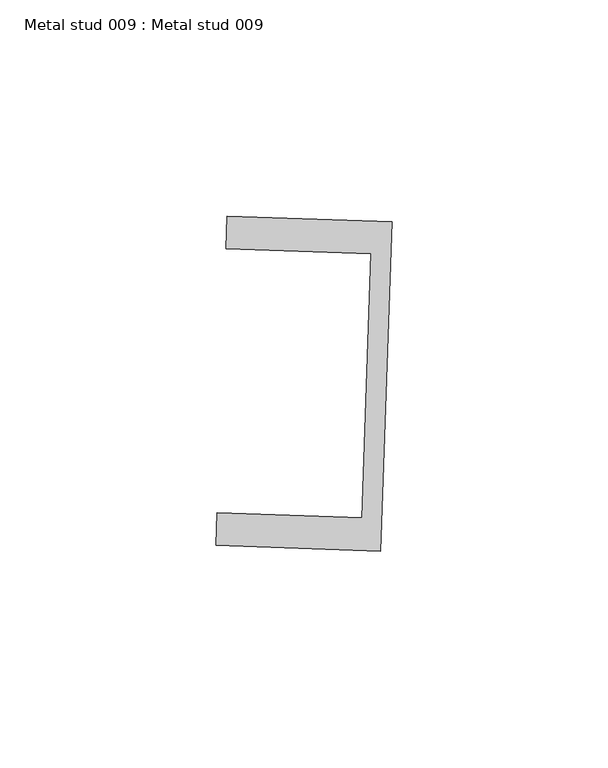
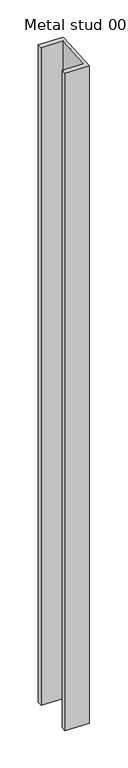
"""IFC4 building model written with IfcOpenShell, lengths in millimetres: proxy geometry, Metal stud 009 : Metal stud 009."""

from ifc_helpers import new_model, si_unit, frame, origin, place, context, project, spatial, polyline, outline, extrude, source, transform, mapped, element, save


def metal_stud_009_metal_stud_009_deaf2325(model_context):
    return source(origin(), model_context, "Body", "SweptSolid", [
        extrude(outline(polyline([(34092.3777319, -15062.9787712), (34089.7715562, -15139.1341903), (34051.6938467, -15137.8311024), (34051.95036, -15130.3354903), (34085.5307023, -15131.4846701), (34087.6238513, -15070.3204753), (34054.0435091, -15069.1712954), (34054.3000224, -15061.6756833), (34092.3777319, -15062.9787712)])), frame((0.0, 0.0, 3009.9), z_axis=(0.0, 0.0, 1.0), x_axis=(1.0, 0.0, 0.0)), (0.0, 0.0, 1.0), 1092.2),
    ])


if __name__ == "__main__":
    model = new_model("IFC4")
    model_context = context("Model", 3, world=origin())
    ifc_project = project(units=[si_unit("LENGTHUNIT", "METRE", prefix="MILLI")], contexts=[model_context])
    site = spatial("IfcSite", under=ifc_project)
    building = spatial("IfcBuilding", under=site)
    placement = place(None, origin())
    metal_stud_009_metal_stud_009_shape = metal_stud_009_metal_stud_009_deaf2325(model_context)
    element("IfcBuildingElementProxy", 1, Name="Metal stud 009 : Metal stud 009", ObjectType="Metal stud 009 : Metal stud 009", at=placement, inside=building, context=model_context, shape_type="MappedRepresentation", body=[
        mapped(metal_stud_009_metal_stud_009_shape, transform((0.0, 0.0, 0.0), x_axis=(1.0, 0.0, 0.0), y_axis=(0.0, 1.0, 0.0), z_axis=(0.0, 0.0, 1.0))),
    ])
    save(model, "model.ifc")
